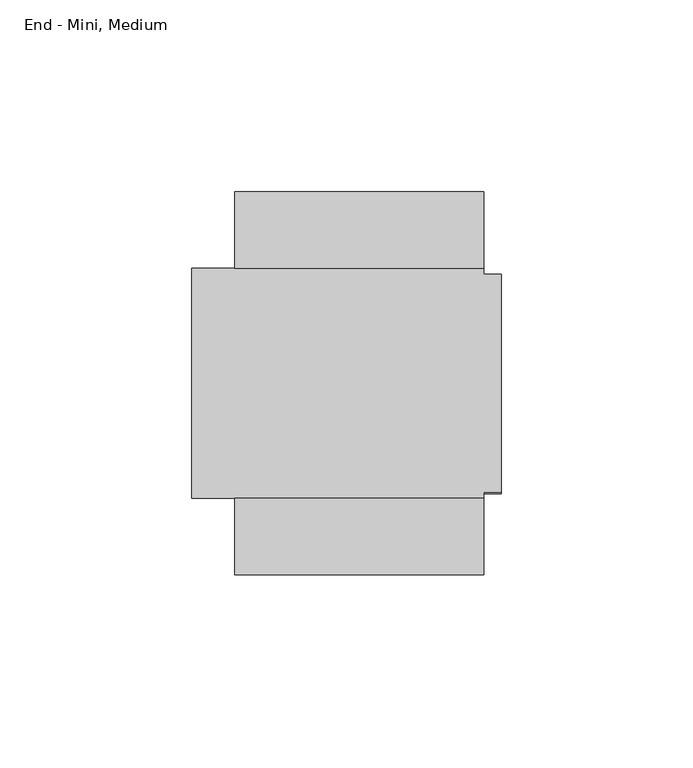
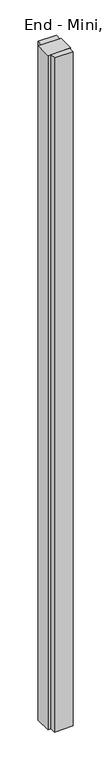
"""IFC4 building model written with IfcOpenShell, lengths in millimetres: furniture geometry, End - Mini, Medium."""

from ifc_helpers import new_model, si_unit, origin, origin_with_axes, place, context, project, spatial, polyline, outline, extrude, faceted_brep, source, transform, mapped, element, save


def end_mini_medium_23fbacd1(model_context):
    return source(origin(), model_context, "Body", "SolidModel", [
        extrude(outline(polyline([(-69.4944, -2236.0001), (-4.4958, -2236.0001), (-4.4958, -2255.9899), (-69.4944, -2255.9899), (-69.4944, -2236.0001)])), origin_with_axes(), (0.0, 0.0, 1.0), 2501.9),
        extrude(outline(polyline([(-4.4958, -2335.9999), (-69.4944, -2335.9999), (-69.4944, -2316.0101), (-4.4958, -2316.0101), (-4.4958, -2335.9999)])), origin_with_axes(), (0.0, 0.0, 1.0), 2501.9),
        faceted_brep([(-4.4958, -2255.9899, 2501.9), (-80.772, -2255.9899, 2501.9), (-80.772, -2316.0101, 2501.9), (-4.4958, -2316.0101, 2501.9), (-4.4958, -2314.448, 2501.9), (0.0, -2314.448, 2501.9), (0.0, -2257.552, 2501.9), (-4.4958, -2257.552, 2501.9), (-4.4958, -2316.0101, 0.0), (-80.772, -2316.0101, 0.0), (-80.772, -2255.9899, 0.0), (-4.4958, -2255.9899, 0.0), (-4.4958, -2257.552, 0.0), (0.0, -2257.552, 0.0), (0.0, -2314.448, 0.0), (-4.4958, -2314.448, 0.0), (-4.4958, -2257.552, 2446.782), (-4.4958, -2260.854, 2446.782), (-4.4958, -2260.854, 55.118), (-4.4958, -2257.552, 55.118), (-4.4958, -2314.448, 55.118), (-4.4958, -2311.146, 55.118), (-4.4958, -2311.146, 2446.782), (-4.4958, -2314.448, 2446.782), (0.0, -2260.854, 55.118), (0.0, -2260.854, 2446.782), (0.0, -2257.552, 2446.782), (0.0, -2314.448, 2446.782), (0.0, -2311.146, 2446.782), (0.0, -2311.146, 55.118), (0.0, -2314.448, 55.118), (0.0, -2257.552, 55.118)], [[[0, 1, 2, 3, 4, 5, 6, 7]], [[8, 9, 10, 11, 12, 13, 14, 15]], [[1, 0, 11, 10]], [[2, 1, 10, 9]], [[3, 2, 9, 8]], [[11, 0, 7, 16, 17, 18, 19, 12]], [[3, 8, 15, 20, 21, 22, 23, 4]], [[24, 25, 26, 6, 5, 27, 28, 29, 30, 14, 13, 31]], [[25, 24, 18, 17]], [[26, 25, 17, 16]], [[6, 26, 16, 7]], [[27, 5, 4, 23]], [[28, 27, 23, 22]], [[29, 28, 22, 21]], [[30, 29, 21, 20]], [[14, 30, 20, 15]], [[31, 13, 12, 19]], [[24, 31, 19, 18]]]),
    ])


if __name__ == "__main__":
    model = new_model("IFC4")
    model_context = context("Model", 3, world=origin())
    ifc_project = project(units=[si_unit("LENGTHUNIT", "METRE", prefix="MILLI")], contexts=[model_context])
    site = spatial("IfcSite", under=ifc_project)
    building = spatial("IfcBuilding", under=site)
    placement = place(None, origin())
    end_mini_medium_shape = end_mini_medium_23fbacd1(model_context)
    element("IfcFurniture", 1, ObjectType="End - Mini, Medium", at=placement, inside=building, context=model_context, shape_type="MappedRepresentation", body=[
        mapped(end_mini_medium_shape, transform((0.0, 0.0, 0.0), x_axis=(1.0, 0.0, 0.0), y_axis=(0.0, 1.0, 0.0), z_axis=(0.0, 0.0, 1.0))),
    ])
    save(model, "model.ifc")
